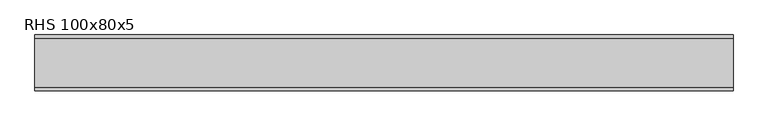
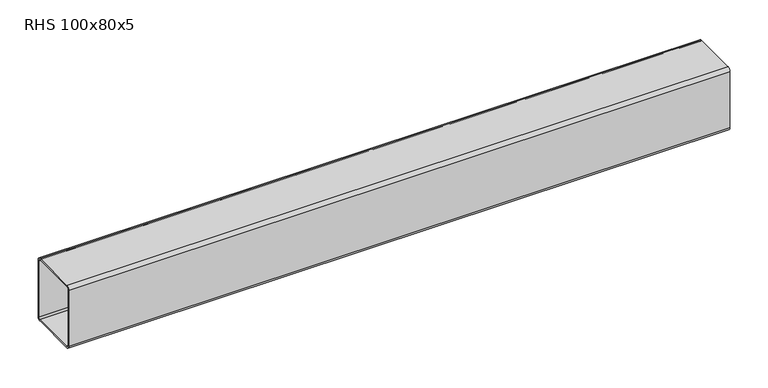
"""IFC4 building model written with IfcOpenShell, lengths in millimetres: beam geometry, RHS 100x80x5."""

from ifc_helpers import new_model, si_unit, point, frame, frame_2d, origin, place, context, project, spatial, polyline, circle_curve, trimmed, segment, composite_curve, outline, extrude, source, transform, mapped, element, save


def rhs_100x80x5_5bf10b64(model_context):
    return source(origin(), model_context, "Body", "SweptSolid", [
        extrude(outline(composite_curve([segment(polyline([(40.0, 45.0), (40.0, -45.0)]), True, "CONTINUOUS"), segment(trimmed(circle_curve(frame_2d((35.0, -45.0)), 5.0), [point((40.0, -45.0))], [point((35.0, -50.0))], False, "CARTESIAN"), True, "CONTINUOUS"), segment(polyline([(35.0, -50.0), (-35.0, -50.0)]), True, "CONTINUOUS"), segment(trimmed(circle_curve(frame_2d((-35.0, -45.0)), 5.0), [point((-35.0, -50.0))], [point((-40.0, -45.0))], False, "CARTESIAN"), True, "CONTINUOUS"), segment(polyline([(-40.0, -45.0), (-40.0, 45.0)]), True, "CONTINUOUS"), segment(trimmed(circle_curve(frame_2d((-35.0, 45.0)), 5.0), [point((-40.0, 45.0))], [point((-35.0, 50.0))], False, "CARTESIAN"), True, "CONTINUOUS"), segment(polyline([(-35.0, 50.0), (35.0, 50.0)]), True, "CONTINUOUS"), segment(trimmed(circle_curve(frame_2d((35.0, 45.0)), 5.0), [point((35.0, 50.0))], [point((40.0, 45.0))], False, "CARTESIAN"), True, "CONTINUOUS")], self_intersect=False), holes=[composite_curve([segment(trimmed(circle_curve(frame_2d((-35.0, 45.0)), 2.5), [point((-35.0, 47.5))], [point((-37.5, 45.0))], True, "CARTESIAN"), True, "CONTINUOUS"), segment(polyline([(-37.5, 45.0), (-37.5, -45.0)]), True, "CONTINUOUS"), segment(trimmed(circle_curve(frame_2d((-35.0, -45.0)), 2.5), [point((-37.5, -45.0))], [point((-35.0, -47.5))], True, "CARTESIAN"), True, "CONTINUOUS"), segment(polyline([(-35.0, -47.5), (35.0, -47.5)]), True, "CONTINUOUS"), segment(trimmed(circle_curve(frame_2d((35.0, -45.0)), 2.5), [point((35.0, -47.5))], [point((37.5, -45.0))], True, "CARTESIAN"), True, "CONTINUOUS"), segment(polyline([(37.5, -45.0), (37.5, 45.0)]), True, "CONTINUOUS"), segment(trimmed(circle_curve(frame_2d((35.0, 45.0)), 2.5), [point((37.5, 45.0))], [point((35.0, 47.5))], True, "CARTESIAN"), True, "CONTINUOUS"), segment(polyline([(35.0, 47.5), (-35.0, 47.5)]), True, "CONTINUOUS")], self_intersect=False)]), frame((-500.3696489, 0.0, 0.0), z_axis=(1.0, 0.0, 0.0), x_axis=(0.0, 1.0, 0.0)), (0.0, 0.0, 1.0), 1000.7392978),
    ])


if __name__ == "__main__":
    model = new_model("IFC4")
    model_context = context("Model", 3, world=origin())
    ifc_project = project(units=[si_unit("LENGTHUNIT", "METRE", prefix="MILLI")], contexts=[model_context])
    site = spatial("IfcSite", under=ifc_project)
    building = spatial("IfcBuilding", under=site)
    placement = place(None, origin())
    rhs_100x80x5_shape = rhs_100x80x5_5bf10b64(model_context)
    element("IfcBeam", 1, ObjectType="RHS 100x80x5", at=placement, inside=building, context=model_context, shape_type="MappedRepresentation", body=[
        mapped(rhs_100x80x5_shape, transform((0.0, 0.0, 0.0), x_axis=(1.0, 0.0, 0.0), y_axis=(0.0, 1.0, 0.0), z_axis=(0.0, 0.0, 1.0))),
    ])
    save(model, "model.ifc")
